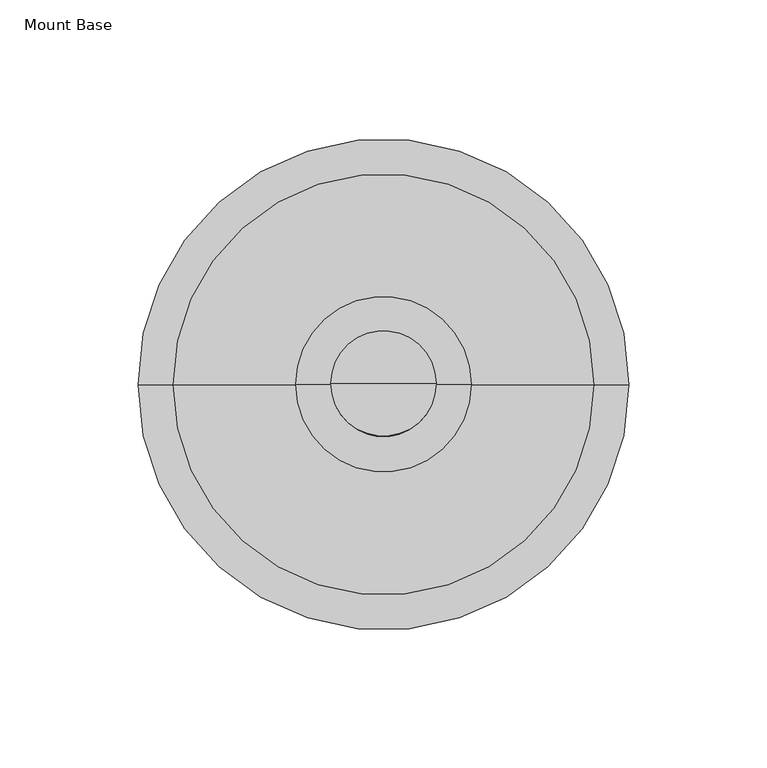
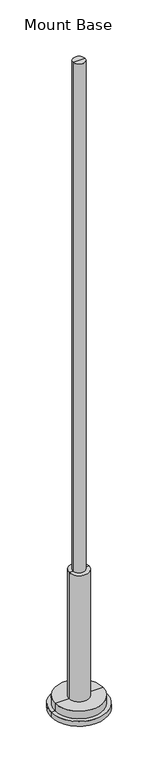
"""IFC4 building model written with IfcOpenShell, lengths in millimetres: furniture geometry, Mount Base."""

import ifcopenshell
import ifcopenshell.guid

model = None  # the IFC model being written
_history = None  # IfcOwnerHistory: only IFC2X3 demands one
_inside = {}  # id of a spatial element -> (the spatial element, [elements in it])
_under = {}  # id of a project, library or spatial element -> (it, [spatial elements below it])
_declared = {}  # id of a project -> (the project, [libraries it declares])
_typed = {}  # id of a type object -> (the type object, [elements of that type])
_made_of = {}  # id of a material, layer set ... -> (it, [elements and type objects made of it])


def new_model(schema):
    """Start an empty IFC model of exactly this schema.

    Asked for "IFC4X3", IfcOpenShell would pick the latest addendum, in which some entities
    have other attributes; the version numbers below select the first issue.
    IFC2X3 requires an IfcOwnerHistory on every rooted entity: one is made here for all.
    """
    global model, _history
    if schema == "IFC4X3":
        model = ifcopenshell.file(schema_version=(4, 3, 0, 0))
    else:
        model = ifcopenshell.file(schema=schema)
    _inside.clear()
    _under.clear()
    _declared.clear()
    _typed.clear()
    _made_of.clear()
    _history = None
    if model.schema == "IFC2X3":
        org = make("IfcOrganization", Name="unknown")
        user = make(
            "IfcPersonAndOrganization",
            ThePerson=make("IfcPerson", FamilyName="unknown"),
            TheOrganization=org,
        )
        app = make(
            "IfcApplication",
            ApplicationDeveloper=org,
            Version="unknown",
            ApplicationFullName="unknown",
            ApplicationIdentifier="unknown",
        )
        _history = make(
            "IfcOwnerHistory",
            OwningUser=user,
            OwningApplication=app,
            ChangeAction="ADDED",
            CreationDate=0,
        )
    return model


def make(cls, **values):
    """One entity of the class cls with the attributes given. An attribute that is None is left unset."""
    return model.create_entity(
        cls, **{name: value for name, value in values.items() if value is not None}
    )


def rooted(cls, **values):
    """An entity with a GlobalId (a new one), such as an element, a storey or a relation."""
    return make(cls, GlobalId=ifcopenshell.guid.new(), OwnerHistory=_history, **values)


def si_unit(unit_type, name, prefix=None):
    """IfcSIUnit, for example si_unit("LENGTHUNIT", "METRE", prefix="MILLI")."""
    return make("IfcSIUnit", UnitType=unit_type, Prefix=prefix, Name=name)


def assignment(units):
    """IfcUnitAssignment: the units of a project."""
    return None if units is None else make("IfcUnitAssignment", Units=units)


def point(xyz):
    """IfcCartesianPoint."""
    return None if xyz is None else make("IfcCartesianPoint", Coordinates=xyz)


def direction(xyz):
    """IfcDirection."""
    return None if xyz is None else make("IfcDirection", DirectionRatios=xyz)


def frame(location, z_axis=None, x_axis=None):
    """IfcAxis2Placement3D, a coordinate frame: its origin and axes. An axis left out is left unset."""
    return make(
        "IfcAxis2Placement3D",
        Location=point(location),
        Axis=direction(z_axis),
        RefDirection=direction(x_axis),
    )


def origin():
    """The frame at (0, 0, 0) with its axes left unset."""
    return frame((0.0, 0.0, 0.0))


def place(relative_to, where):
    """IfcLocalPlacement: puts the frame where relative to a parent placement (None: the world)."""
    return make(
        "IfcLocalPlacement", PlacementRelTo=relative_to, RelativePlacement=where
    )


def context(
    kind, dimensions, precision=None, world=None, true_north=None, identifier=None
):
    """IfcGeometricRepresentationContext, for example the 3D "Model" context."""
    return make(
        "IfcGeometricRepresentationContext",
        ContextIdentifier=identifier,
        ContextType=kind,
        CoordinateSpaceDimension=dimensions,
        Precision=precision,
        WorldCoordinateSystem=world,
        TrueNorth=true_north,
    )


def project(units=None, contexts=None):
    """IfcProject with its units and contexts."""
    return rooted(
        "IfcProject",
        Name="project",
        RepresentationContexts=contexts,
        UnitsInContext=assignment(units),
    )


def spatial(cls, under=None, at=None, **own):
    """A site, building, storey or space (cls), placed at a placement, below another one or the project."""
    s = rooted(cls, ObjectPlacement=at, **own)
    if under is not None:
        _under.setdefault(under.id(), (under, []))[1].append(s)
    return s


def circle_curve(where, radius):
    """IfcCircle in the frame where."""
    return make("IfcCircle", Position=where, Radius=radius)


def shape(context_of_items, identifier, shape_type, items):
    """IfcShapeRepresentation: the items that make up one representation, for example the "Body"."""
    return make(
        "IfcShapeRepresentation",
        ContextOfItems=context_of_items,
        RepresentationIdentifier=identifier,
        RepresentationType=shape_type,
        Items=items,
    )


def source(mapping_origin, context_of_items, identifier, shape_type, items):
    """IfcRepresentationMap: a shape defined once, which mapped items show again and again."""
    return make(
        "IfcRepresentationMap",
        MappingOrigin=mapping_origin,
        MappedRepresentation=shape(context_of_items, identifier, shape_type, items),
    )


def transform(
    local_origin,
    x_axis=None,
    y_axis=None,
    z_axis=None,
    scale=None,
    scale2=None,
    scale3=None,
    uniform=True,
):
    """IfcCartesianTransformationOperator3D, or its non-uniform kind. x_axis, y_axis, z_axis: its Axis1, 2, 3."""
    if uniform:
        return make(
            "IfcCartesianTransformationOperator3D",
            Axis1=direction(x_axis),
            Axis2=direction(y_axis),
            LocalOrigin=point(local_origin),
            Scale=scale,
            Axis3=direction(z_axis),
        )
    return make(
        "IfcCartesianTransformationOperator3DnonUniform",
        Axis1=direction(x_axis),
        Axis2=direction(y_axis),
        LocalOrigin=point(local_origin),
        Scale=scale,
        Axis3=direction(z_axis),
        Scale2=scale2,
        Scale3=scale3,
    )


def mapped(mapping_source, mapping_target):
    """IfcMappedItem: shows the shape of a source again, moved by a transform."""
    return make(
        "IfcMappedItem", MappingSource=mapping_source, MappingTarget=mapping_target
    )


def made_of(thing, what):
    """Note that an element or type object is made of a material, layer set ...; save() writes the relation."""
    if what is not None:
        _made_of.setdefault(what.id(), (what, []))[1].append(thing)
    return thing


def element(
    cls,
    number,
    at=None,
    inside=None,
    cuts=None,
    type_object=None,
    material=None,
    context=None,
    identifier="Body",
    shape_type=None,
    held_by="IfcProductDefinitionShape",
    body=None,
    shapes=None,
    **own,
):
    """One element of the class cls, such as IfcWall. Its Tag is "e" and its number.

    at: its placement. inside: the storey or other place that contains it. cuts: it is an
    opening in that element (IfcRelVoidsElement). A single representation is given by context,
    identifier, shape_type and body (its items); several are given by shapes. held_by: the class
    of the entity that holds the representations. save() writes the other relations.
    """
    e = rooted(cls, Tag="e%d" % number, ObjectPlacement=at, **own)
    if body is not None:
        shapes = [shape(context, identifier, shape_type, body)]
    if shapes is not None:
        e.Representation = make(held_by, Representations=shapes)
    if inside is not None:
        _inside.setdefault(inside.id(), (inside, []))[1].append(e)
    if cuts is not None:
        rooted(
            "IfcRelVoidsElement", RelatingBuildingElement=cuts, RelatedOpeningElement=e
        )
    if type_object is not None:
        _typed.setdefault(type_object.id(), (type_object, []))[1].append(e)
    return made_of(e, material)


def aggregate(whole, parts):
    """IfcRelAggregates: a whole, such as a stair, and the parts it consists of."""
    return rooted("IfcRelAggregates", RelatingObject=whole, RelatedObjects=parts)


def save(model, path):
    """Write the relations noted so far, then the file.

    IfcRelAggregates (storeys below a building ...), IfcRelContainedInSpatialStructure (elements
    in a storey), IfcRelDefinesByType, IfcRelAssociatesMaterial and IfcRelDeclares: one each for
    every whole, place, type object, material and project.
    """
    for whole, parts in _under.values():
        aggregate(whole, parts)
    for where, things in _inside.values():
        rooted(
            "IfcRelContainedInSpatialStructure",
            RelatedElements=things,
            RelatingStructure=where,
        )
    for kind, things in _typed.values():
        rooted("IfcRelDefinesByType", RelatedObjects=things, RelatingType=kind)
    for what, things in _made_of.values():
        rooted("IfcRelAssociatesMaterial", RelatedObjects=things, RelatingMaterial=what)
    for by, libraries in _declared.values():
        rooted("IfcRelDeclares", RelatingContext=by, RelatedDefinitions=libraries)
    model.write(path)


def plane_surface(at):
    """IfcPlane: the flat surface through the origin of the frame at, square to its z axis."""
    return make("IfcPlane", Position=at)


def cylinder_surface(at, radius):
    """IfcCylindricalSurface: all points at the distance radius from the z axis of the frame at."""
    return make("IfcCylindricalSurface", Position=at, Radius=radius)


def advanced_brep(points, edges, surfaces, faces):
    """IfcAdvancedBrep: a solid bounded by faces that lie on surfaces and meet in shared edges.

    An edge is (start, end): straight between two places in points (the first is 0);
    or (start, end, curve); or (start, end, curve, False) where it runs against its curve.
    A face is (place in surfaces, loops), or (place, loops, False) where it looks against
    its surface's normal. A loop lists edges by number (the first is 1), with a minus sign
    where the edge is run from its end to its start. The first loop is the outer one.
    """
    corners = [point(p) for p in points]
    vertices = [make("IfcVertexPoint", VertexGeometry=c) for c in corners]
    made = []
    for start, end, *more in edges:
        made.append(
            make(
                "IfcEdgeCurve",
                EdgeStart=vertices[start],
                EdgeEnd=vertices[end],
                EdgeGeometry=more[0] if more else make("IfcPolyline", Points=[corners[start], corners[end]]),
                SameSense=more[1] if len(more) > 1 else True,
            )
        )
    hull = []
    for where, loops, *sense in faces:
        bounds = []
        for j, loop in enumerate(loops):
            ring = [make("IfcOrientedEdge", EdgeElement=made[abs(k) - 1], Orientation=k > 0) for k in loop]
            bounds.append(
                make(
                    "IfcFaceOuterBound" if j == 0 else "IfcFaceBound",
                    Bound=make("IfcEdgeLoop", EdgeList=ring),
                    Orientation=True,
                )
            )
        hull.append(make("IfcAdvancedFace", Bounds=bounds, FaceSurface=surfaces[where], SameSense=sense[0] if sense else True))
    return make("IfcAdvancedBrep", Outer=make("IfcClosedShell", CfsFaces=hull))


def mount_base_ee3bbb13(model_context):
    return source(origin(), model_context, "Body", "AdvancedBrep", [
        advanced_brep(
        [(-88.9, -4.0299408, 15.8750008), (88.9, -4.0299408, 15.8750008), (88.9, -4.0299408, 0.0), (-88.9, -4.0299408, 0.0), (-76.2, -4.0299408, 15.8750008), (76.2, -4.0299408, 15.8750008), (-76.2, -4.0299408, 41.2750008), (76.2, -4.0299408, 41.2750008), (0.0, -4.0299408, 41.2750008), (0.0, -4.0299408, 0.0)],
        [
            (0, 1, circle_curve(frame((0.0, -4.0299408, 15.8750008), z_axis=(0.0, 0.0, -1.0), x_axis=(1.0, 0.0, 0.0)), 88.9)),
            (1, 2),
            (2, 3, circle_curve(frame((0.0, -4.0299408, 0.0), z_axis=(0.0, 0.0, 1.0), x_axis=(1.0, 0.0, 0.0)), 88.9)),
            (3, 0),
            (1, 0, circle_curve(frame((0.0, -4.0299408, 15.8750008), z_axis=(0.0, 0.0, -1.0), x_axis=(1.0, 0.0, 0.0)), 88.9)),
            (3, 2, circle_curve(frame((0.0, -4.0299408, 0.0), z_axis=(0.0, 0.0, 1.0), x_axis=(1.0, 0.0, 0.0)), 88.9)),
            (4, 5, circle_curve(frame((0.0, -4.0299408, 15.8750008), z_axis=(0.0, 0.0, -1.0), x_axis=(1.0, 0.0, 0.0)), 76.2)),
            (5, 1),
            (0, 4),
            (5, 4, circle_curve(frame((0.0, -4.0299408, 15.8750008), z_axis=(0.0, 0.0, -1.0), x_axis=(1.0, 0.0, 0.0)), 76.2)),
            (6, 7, circle_curve(frame((0.0, -4.0299408, 41.2750008), z_axis=(0.0, 0.0, -1.0), x_axis=(1.0, 0.0, 0.0)), 76.2)),
            (7, 5),
            (4, 6),
            (7, 6, circle_curve(frame((0.0, -4.0299408, 41.2750008), z_axis=(0.0, 0.0, -1.0), x_axis=(1.0, 0.0, 0.0)), 76.2)),
            (8, 7),
            (6, 8),
            (2, 9),
            (9, 3),
        ],
        [
            cylinder_surface(frame((0.0, -4.0299408, 161.9250008), z_axis=(0.0, 0.0, 1.0), x_axis=(1.0, 0.0, 0.0)), 88.9),
            plane_surface(frame((0.0, -4.0299408, 15.8750008), z_axis=(0.0, 0.0, 1.0), x_axis=(1.0, 0.0, 0.0))),
            cylinder_surface(frame((0.0, -4.0299408, 161.9250008), z_axis=(0.0, 0.0, 1.0), x_axis=(1.0, 0.0, 0.0)), 76.2),
            plane_surface(frame((0.0, -4.0299408, 41.2750008), z_axis=(0.0, 0.0, 1.0), x_axis=(1.0, 0.0, 0.0))),
            plane_surface(frame((0.0, -4.0299408, 0.0), z_axis=(0.0, 0.0, -1.0), x_axis=(1.0, 0.0, 0.0))),
        ],
        [
            (0, [[1, 2, 3, 4]]),
            (0, [[5, -4, 6, -2]]),
            (1, [[7, 8, -1, 9]]),
            (1, [[10, -9, -5, -8]]),
            (2, [[11, 12, -7, 13]]),
            (2, [[14, -13, -10, -12]]),
            (3, [[15, -11, 16]]),
            (3, [[-16, -14, -15]]),
            (4, [[-3, 17, 18]]),
            (4, [[-6, -18, -17]]),
        ],
    ),
        advanced_brep(
        [(-19.05, -4.0299408, 463.5500121), (19.05, -4.0299408, 463.5500121), (31.7499992, -4.0299408, 463.5500121), (-31.7499992, -4.0299408, 463.5500121), (-19.05, -4.0299408, 2165.35), (19.05, -4.0299408, 2165.35), (0.0, -4.0299408, 2165.35), (-31.7499992, -4.0299408, 25.4), (31.7499992, -4.0299408, 25.4), (0.0, -4.0299408, 25.4)],
        [
            (0, 1, circle_curve(frame((0.0, -4.0299408, 463.5500121), z_axis=(0.0, 0.0, -1.0), x_axis=(1.0, 0.0, 0.0)), 19.05)),
            (1, 2),
            (2, 3, circle_curve(frame((0.0, -4.0299408, 463.5500121), z_axis=(0.0, 0.0, 1.0), x_axis=(1.0, 0.0, 0.0)), 31.7499992)),
            (3, 0),
            (1, 0, circle_curve(frame((0.0, -4.0299408, 463.5500121), z_axis=(0.0, 0.0, -1.0), x_axis=(1.0, 0.0, 0.0)), 19.05)),
            (3, 2, circle_curve(frame((0.0, -4.0299408, 463.5500121), z_axis=(0.0, 0.0, 1.0), x_axis=(1.0, 0.0, 0.0)), 31.7499992)),
            (4, 5, circle_curve(frame((0.0, -4.0299408, 2165.35), z_axis=(0.0, 0.0, -1.0), x_axis=(1.0, 0.0, 0.0)), 19.05)),
            (5, 1),
            (0, 4),
            (5, 4, circle_curve(frame((0.0, -4.0299408, 2165.35), z_axis=(0.0, 0.0, -1.0), x_axis=(1.0, 0.0, 0.0)), 19.05)),
            (6, 5),
            (4, 6),
            (7, 8, circle_curve(frame((0.0, -4.0299408, 25.4), z_axis=(0.0, 0.0, -1.0), x_axis=(1.0, 0.0, 0.0)), 31.7499992)),
            (8, 9),
            (9, 7),
            (8, 7, circle_curve(frame((0.0, -4.0299408, 25.4), z_axis=(0.0, 0.0, -1.0), x_axis=(1.0, 0.0, 0.0)), 31.7499992)),
            (2, 8),
            (7, 3),
        ],
        [
            plane_surface(frame((0.0, -4.0299408, 463.5500121), z_axis=(0.0, 0.0, 1.0), x_axis=(1.0, 0.0, 0.0))),
            cylinder_surface(frame((0.0, -4.0299408, 3028.95), z_axis=(0.0, 0.0, 1.0), x_axis=(1.0, 0.0, 0.0)), 19.05),
            plane_surface(frame((0.0, -4.0299408, 2165.35), z_axis=(0.0, 0.0, 1.0), x_axis=(1.0, 0.0, 0.0))),
            plane_surface(frame((0.0, -4.0299408, 25.4), z_axis=(0.0, 0.0, -1.0), x_axis=(1.0, 0.0, 0.0))),
            cylinder_surface(frame((0.0, -4.0299408, 3028.95), z_axis=(0.0, 0.0, 1.0), x_axis=(1.0, 0.0, 0.0)), 31.7499992),
        ],
        [
            (0, [[1, 2, 3, 4]]),
            (0, [[5, -4, 6, -2]]),
            (1, [[7, 8, -1, 9]]),
            (1, [[10, -9, -5, -8]]),
            (2, [[11, -7, 12]]),
            (2, [[-12, -10, -11]]),
            (3, [[13, 14, 15]]),
            (3, [[16, -15, -14]]),
            (4, [[-3, 17, -13, 18]]),
            (4, [[-6, -18, -16, -17]]),
        ],
    ),
    ])


if __name__ == "__main__":
    model = new_model("IFC4")
    model_context = context("Model", 3, world=origin())
    ifc_project = project(units=[si_unit("LENGTHUNIT", "METRE", prefix="MILLI")], contexts=[model_context])
    site = spatial("IfcSite", under=ifc_project)
    building = spatial("IfcBuilding", under=site)
    placement = place(None, origin())
    mount_base_shape = mount_base_ee3bbb13(model_context)
    element("IfcFurniture", 1, ObjectType="Mount Base", at=placement, inside=building, context=model_context, shape_type="MappedRepresentation", body=[
        mapped(mount_base_shape, transform((0.0, 0.0, 0.0), x_axis=(1.0, 0.0, 0.0), y_axis=(0.0, 1.0, 0.0), z_axis=(0.0, 0.0, 1.0))),
    ])
    save(model, "model.ifc")
